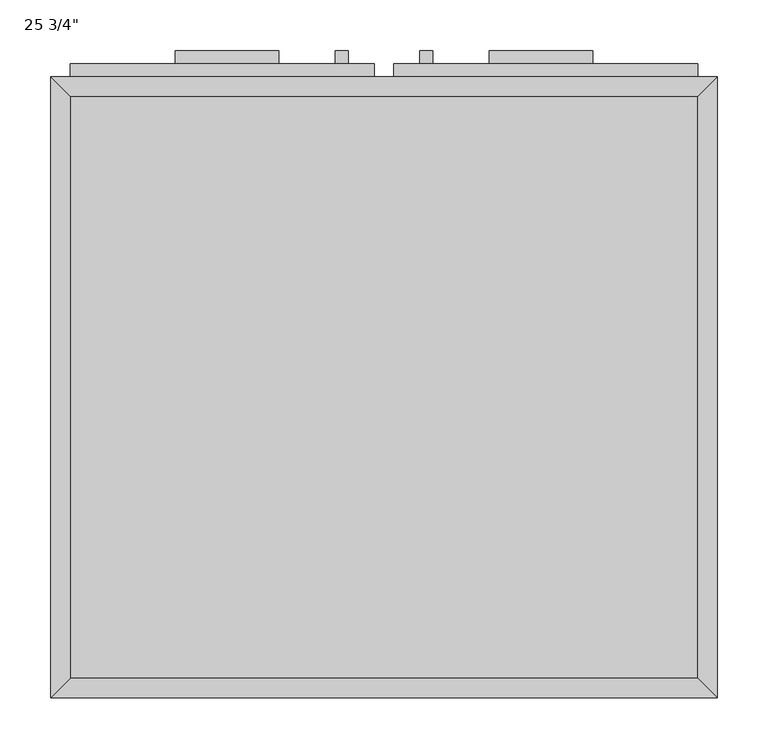
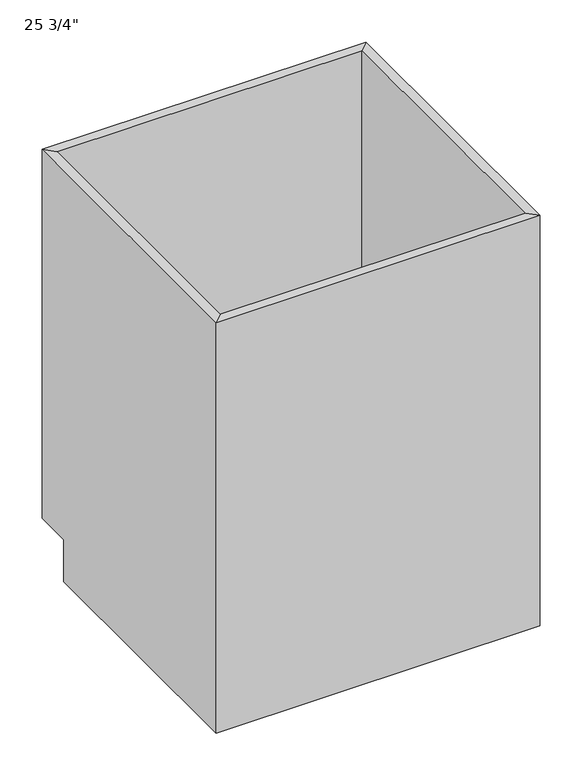
"""IFC4 building model written with IfcOpenShell, lengths in millimetres: furniture geometry."""

import ifcopenshell
import ifcopenshell.guid

model = None  # the IFC model being written
_history = None  # IfcOwnerHistory: only IFC2X3 demands one
_inside = {}  # id of a spatial element -> (the spatial element, [elements in it])
_under = {}  # id of a project, library or spatial element -> (it, [spatial elements below it])
_declared = {}  # id of a project -> (the project, [libraries it declares])
_typed = {}  # id of a type object -> (the type object, [elements of that type])
_made_of = {}  # id of a material, layer set ... -> (it, [elements and type objects made of it])


def new_model(schema):
    """Start an empty IFC model of exactly this schema.

    Asked for "IFC4X3", IfcOpenShell would pick the latest addendum, in which some entities
    have other attributes; the version numbers below select the first issue.
    IFC2X3 requires an IfcOwnerHistory on every rooted entity: one is made here for all.
    """
    global model, _history
    if schema == "IFC4X3":
        model = ifcopenshell.file(schema_version=(4, 3, 0, 0))
    else:
        model = ifcopenshell.file(schema=schema)
    _inside.clear()
    _under.clear()
    _declared.clear()
    _typed.clear()
    _made_of.clear()
    _history = None
    if model.schema == "IFC2X3":
        org = make("IfcOrganization", Name="unknown")
        user = make(
            "IfcPersonAndOrganization",
            ThePerson=make("IfcPerson", FamilyName="unknown"),
            TheOrganization=org,
        )
        app = make(
            "IfcApplication",
            ApplicationDeveloper=org,
            Version="unknown",
            ApplicationFullName="unknown",
            ApplicationIdentifier="unknown",
        )
        _history = make(
            "IfcOwnerHistory",
            OwningUser=user,
            OwningApplication=app,
            ChangeAction="ADDED",
            CreationDate=0,
        )
    return model


def make(cls, **values):
    """One entity of the class cls with the attributes given. An attribute that is None is left unset."""
    return model.create_entity(
        cls, **{name: value for name, value in values.items() if value is not None}
    )


def rooted(cls, **values):
    """An entity with a GlobalId (a new one), such as an element, a storey or a relation."""
    return make(cls, GlobalId=ifcopenshell.guid.new(), OwnerHistory=_history, **values)


def si_unit(unit_type, name, prefix=None):
    """IfcSIUnit, for example si_unit("LENGTHUNIT", "METRE", prefix="MILLI")."""
    return make("IfcSIUnit", UnitType=unit_type, Prefix=prefix, Name=name)


def assignment(units):
    """IfcUnitAssignment: the units of a project."""
    return None if units is None else make("IfcUnitAssignment", Units=units)


def point(xyz):
    """IfcCartesianPoint."""
    return None if xyz is None else make("IfcCartesianPoint", Coordinates=xyz)


def direction(xyz):
    """IfcDirection."""
    return None if xyz is None else make("IfcDirection", DirectionRatios=xyz)


def frame(location, z_axis=None, x_axis=None):
    """IfcAxis2Placement3D, a coordinate frame: its origin and axes. An axis left out is left unset."""
    return make(
        "IfcAxis2Placement3D",
        Location=point(location),
        Axis=direction(z_axis),
        RefDirection=direction(x_axis),
    )


def origin():
    """The frame at (0, 0, 0) with its axes left unset."""
    return frame((0.0, 0.0, 0.0))


def place(relative_to, where):
    """IfcLocalPlacement: puts the frame where relative to a parent placement (None: the world)."""
    return make(
        "IfcLocalPlacement", PlacementRelTo=relative_to, RelativePlacement=where
    )


def context(
    kind, dimensions, precision=None, world=None, true_north=None, identifier=None
):
    """IfcGeometricRepresentationContext, for example the 3D "Model" context."""
    return make(
        "IfcGeometricRepresentationContext",
        ContextIdentifier=identifier,
        ContextType=kind,
        CoordinateSpaceDimension=dimensions,
        Precision=precision,
        WorldCoordinateSystem=world,
        TrueNorth=true_north,
    )


def project(units=None, contexts=None):
    """IfcProject with its units and contexts."""
    return rooted(
        "IfcProject",
        Name="project",
        RepresentationContexts=contexts,
        UnitsInContext=assignment(units),
    )


def spatial(cls, under=None, at=None, **own):
    """A site, building, storey or space (cls), placed at a placement, below another one or the project."""
    s = rooted(cls, ObjectPlacement=at, **own)
    if under is not None:
        _under.setdefault(under.id(), (under, []))[1].append(s)
    return s


def polyline(points):
    """IfcPolyline through the points."""
    return make("IfcPolyline", Points=[point(p) for p in points])


def outline(outer, holes=None, kind="AREA"):
    """IfcArbitraryClosedProfileDef: a profile drawn as a closed curve; with holes, ...WithVoids."""
    if holes is None:
        return make("IfcArbitraryClosedProfileDef", ProfileType=kind, OuterCurve=outer)
    return make(
        "IfcArbitraryProfileDefWithVoids",
        ProfileType=kind,
        OuterCurve=outer,
        InnerCurves=holes,
    )


def extrude(swept, where, along, depth):
    """IfcExtrudedAreaSolid: the profile swept, set in the frame where, extruded along a direction by depth."""
    return make(
        "IfcExtrudedAreaSolid",
        SweptArea=swept,
        Position=where,
        ExtrudedDirection=direction(along),
        Depth=depth,
    )


def faces_of(points, faces, orient=None, outer=None):
    """IfcFace entities. A face is a list of loops; a loop is a list of indices into points, from 0.

    orient and outer hold one flag for each loop. By default every Orientation is true, the
    first loop of a face is its IfcFaceOuterBound and the others are IfcFaceBound.
    """
    made = []
    for i, loops in enumerate(faces):
        bounds = []
        for j, loop in enumerate(loops):
            is_outer = j == 0 if outer is None else outer[i][j]
            bounds.append(
                make(
                    "IfcFaceOuterBound" if is_outer else "IfcFaceBound",
                    Bound=make("IfcPolyLoop", Polygon=[points[k] for k in loop]),
                    Orientation=True if orient is None else orient[i][j],
                )
            )
        made.append(make("IfcFace", Bounds=bounds))
    return made


def faceted_brep(points, faces, orient=None, outer=None, voids=None):
    """IfcFacetedBrep: a solid bounded by flat faces; with voids (closed shells), ...WithVoids."""
    shared = [point(p) for p in points]
    hull = make("IfcClosedShell", CfsFaces=faces_of(shared, faces, orient, outer))
    if voids is None:
        return make("IfcFacetedBrep", Outer=hull)
    return make(
        "IfcFacetedBrepWithVoids",
        Outer=hull,
        Voids=[
            make(cls, CfsFaces=faces_of(shared, fs, o, b)) for cls, fs, o, b in voids
        ],
    )


def shape(context_of_items, identifier, shape_type, items):
    """IfcShapeRepresentation: the items that make up one representation, for example the "Body"."""
    return make(
        "IfcShapeRepresentation",
        ContextOfItems=context_of_items,
        RepresentationIdentifier=identifier,
        RepresentationType=shape_type,
        Items=items,
    )


def source(mapping_origin, context_of_items, identifier, shape_type, items):
    """IfcRepresentationMap: a shape defined once, which mapped items show again and again."""
    return make(
        "IfcRepresentationMap",
        MappingOrigin=mapping_origin,
        MappedRepresentation=shape(context_of_items, identifier, shape_type, items),
    )


def transform(
    local_origin,
    x_axis=None,
    y_axis=None,
    z_axis=None,
    scale=None,
    scale2=None,
    scale3=None,
    uniform=True,
):
    """IfcCartesianTransformationOperator3D, or its non-uniform kind. x_axis, y_axis, z_axis: its Axis1, 2, 3."""
    if uniform:
        return make(
            "IfcCartesianTransformationOperator3D",
            Axis1=direction(x_axis),
            Axis2=direction(y_axis),
            LocalOrigin=point(local_origin),
            Scale=scale,
            Axis3=direction(z_axis),
        )
    return make(
        "IfcCartesianTransformationOperator3DnonUniform",
        Axis1=direction(x_axis),
        Axis2=direction(y_axis),
        LocalOrigin=point(local_origin),
        Scale=scale,
        Axis3=direction(z_axis),
        Scale2=scale2,
        Scale3=scale3,
    )


def mapped(mapping_source, mapping_target):
    """IfcMappedItem: shows the shape of a source again, moved by a transform."""
    return make(
        "IfcMappedItem", MappingSource=mapping_source, MappingTarget=mapping_target
    )


def made_of(thing, what):
    """Note that an element or type object is made of a material, layer set ...; save() writes the relation."""
    if what is not None:
        _made_of.setdefault(what.id(), (what, []))[1].append(thing)
    return thing


def element(
    cls,
    number,
    at=None,
    inside=None,
    cuts=None,
    type_object=None,
    material=None,
    context=None,
    identifier="Body",
    shape_type=None,
    held_by="IfcProductDefinitionShape",
    body=None,
    shapes=None,
    **own,
):
    """One element of the class cls, such as IfcWall. Its Tag is "e" and its number.

    at: its placement. inside: the storey or other place that contains it. cuts: it is an
    opening in that element (IfcRelVoidsElement). A single representation is given by context,
    identifier, shape_type and body (its items); several are given by shapes. held_by: the class
    of the entity that holds the representations. save() writes the other relations.
    """
    e = rooted(cls, Tag="e%d" % number, ObjectPlacement=at, **own)
    if body is not None:
        shapes = [shape(context, identifier, shape_type, body)]
    if shapes is not None:
        e.Representation = make(held_by, Representations=shapes)
    if inside is not None:
        _inside.setdefault(inside.id(), (inside, []))[1].append(e)
    if cuts is not None:
        rooted(
            "IfcRelVoidsElement", RelatingBuildingElement=cuts, RelatedOpeningElement=e
        )
    if type_object is not None:
        _typed.setdefault(type_object.id(), (type_object, []))[1].append(e)
    return made_of(e, material)


def aggregate(whole, parts):
    """IfcRelAggregates: a whole, such as a stair, and the parts it consists of."""
    return rooted("IfcRelAggregates", RelatingObject=whole, RelatedObjects=parts)


def save(model, path):
    """Write the relations noted so far, then the file.

    IfcRelAggregates (storeys below a building ...), IfcRelContainedInSpatialStructure (elements
    in a storey), IfcRelDefinesByType, IfcRelAssociatesMaterial and IfcRelDeclares: one each for
    every whole, place, type object, material and project.
    """
    for whole, parts in _under.values():
        aggregate(whole, parts)
    for where, things in _inside.values():
        rooted(
            "IfcRelContainedInSpatialStructure",
            RelatedElements=things,
            RelatingStructure=where,
        )
    for kind, things in _typed.values():
        rooted("IfcRelDefinesByType", RelatedObjects=things, RelatingType=kind)
    for what, things in _made_of.values():
        rooted("IfcRelAssociatesMaterial", RelatedObjects=things, RelatingMaterial=what)
    for by, libraries in _declared.values():
        rooted("IfcRelDeclares", RelatingContext=by, RelatedDefinitions=libraries)
    model.write(path)


def furniture_88b393c1(model_context):
    return source(origin(), model_context, "Body", "SolidModel", [
        faceted_brep([(326.7127049, 590.55, 876.3), (-289.2372951, 590.55, 876.3), (-289.2372951, 590.55, 88.9), (326.7127049, 590.55, 88.9), (345.7627049, 609.6, 876.3), (-308.2872951, 609.6, 876.3), (345.7627049, 609.6, 88.9), (-308.2872951, 609.6, 88.9), (-289.2372951, 19.05, 876.3), (-289.2372951, 19.05, 88.9), (-289.2372951, 533.4, 88.9), (-308.2872951, 0.0, 876.3), (-308.2872951, 533.4, 88.9), (-308.2872951, 533.4, 0.0), (-308.2872951, 0.0, 0.0), (326.7127049, 19.05, 876.3), (326.7127049, 19.05, 88.9), (345.7627049, 0.0, 876.3), (345.7627049, 0.0, 0.0), (326.7127049, 533.4, 88.9), (345.7627049, 533.4, 0.0), (345.7627049, 533.4, 88.9)], [[[0, 1, 2, 3]], [[0, 4, 5, 1]], [[4, 6, 7, 5]], [[2, 7, 6, 3]], [[1, 8, 9, 10, 2]], [[5, 11, 8, 1]], [[7, 12, 13, 14, 11, 5]], [[2, 10, 12, 7]], [[8, 15, 16, 9]], [[11, 17, 15, 8]], [[14, 18, 17, 11]], [[3, 19, 16, 15, 0]], [[0, 15, 17, 4]], [[4, 17, 18, 20, 21, 6]], [[6, 21, 19, 3]], [[10, 9, 16, 19]], [[18, 14, 13, 20]], [[13, 12, 10, 19, 21, 20]]]),
        extrude(outline(polyline([(-84.4497951, 635.0), (-84.4497951, 622.3), (-186.0497951, 622.3), (-186.0497951, 635.0), (-84.4497951, 635.0)])), frame((0.0, 0.0, 819.15), z_axis=(0.0, 0.0, 1.0), x_axis=(1.0, 0.0, 0.0)), (0.0, 0.0, 1.0), 12.7),
        extrude(outline(polyline([(223.5252049, 635.0), (223.5252049, 622.3), (121.9252049, 622.3), (121.9252049, 635.0), (223.5252049, 635.0)])), frame((0.0, 0.0, 819.15), z_axis=(0.0, 0.0, 1.0), x_axis=(1.0, 0.0, 0.0)), (0.0, 0.0, 1.0), 12.7),
        extrude(outline(polyline([(-16.1872951, 635.0), (-16.1872951, 622.3), (-28.8872951, 622.3), (-28.8872951, 635.0), (-16.1872951, 635.0)])), frame((0.0, 0.0, 596.9), z_axis=(0.0, 0.0, 1.0), x_axis=(1.0, 0.0, 0.0)), (0.0, 0.0, 1.0), 101.6),
        extrude(outline(polyline([(66.3627049, 635.0), (66.3627049, 622.3), (53.6627049, 622.3), (53.6627049, 635.0), (66.3627049, 635.0)])), frame((0.0, 0.0, 596.9), z_axis=(0.0, 0.0, 1.0), x_axis=(1.0, 0.0, 0.0)), (0.0, 0.0, 1.0), 101.6),
        extrude(outline(polyline([(326.7127049, 19.05), (-289.2372951, 19.05), (-289.2372951, 590.55), (326.7127049, 590.55), (326.7127049, 19.05)])), frame((0.0, 0.0, 88.9), z_axis=(0.0, 0.0, 1.0), x_axis=(1.0, 0.0, 0.0)), (0.0, 0.0, 1.0), 19.05),
        extrude(outline(polyline([(9.2127049, 622.3), (9.2127049, 609.6), (-289.2372951, 609.6), (-289.2372951, 622.3), (9.2127049, 622.3)])), frame((0.0, 0.0, 755.65), z_axis=(0.0, 0.0, 1.0), x_axis=(1.0, 0.0, 0.0)), (0.0, 0.0, 1.0), 101.6),
        extrude(outline(polyline([(326.7127049, 622.3), (326.7127049, 609.6), (28.2627049, 609.6), (28.2627049, 622.3), (326.7127049, 622.3)])), frame((0.0, 0.0, 755.65), z_axis=(0.0, 0.0, 1.0), x_axis=(1.0, 0.0, 0.0)), (0.0, 0.0, 1.0), 101.6),
        extrude(outline(polyline([(9.2127049, 622.3), (9.2127049, 609.6), (-289.2372951, 609.6), (-289.2372951, 622.3), (9.2127049, 622.3)])), frame((0.0, 0.0, 107.95), z_axis=(0.0, 0.0, 1.0), x_axis=(1.0, 0.0, 0.0)), (0.0, 0.0, 1.0), 628.65),
        extrude(outline(polyline([(326.7127049, 622.3), (326.7127049, 609.6), (28.2627049, 609.6), (28.2627049, 622.3), (326.7127049, 622.3)])), frame((0.0, 0.0, 107.95), z_axis=(0.0, 0.0, 1.0), x_axis=(1.0, 0.0, 0.0)), (0.0, 0.0, 1.0), 628.65),
    ])


if __name__ == "__main__":
    model = new_model("IFC4")
    model_context = context("Model", 3, world=origin())
    ifc_project = project(units=[si_unit("LENGTHUNIT", "METRE", prefix="MILLI")], contexts=[model_context])
    site = spatial("IfcSite", under=ifc_project)
    building = spatial("IfcBuilding", under=site)
    placement = place(None, origin())
    furniture_shape = furniture_88b393c1(model_context)
    element("IfcFurniture", 1, ObjectType="25 3/4\"", at=placement, inside=building, context=model_context, shape_type="MappedRepresentation", body=[
        mapped(furniture_shape, transform((0.0, 0.0, 0.0), x_axis=(1.0, 0.0, 0.0), y_axis=(0.0, 1.0, 0.0), z_axis=(0.0, 0.0, 1.0))),
    ])
    save(model, "model.ifc")
